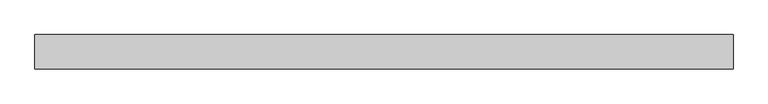
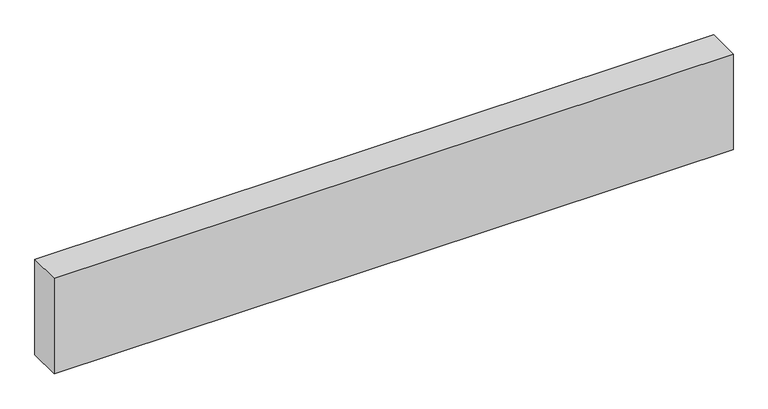
"""IFC4 building model written with IfcOpenShell, lengths in millimetres: proxy geometry."""

from ifc_helpers import new_model, si_unit, origin, origin_with_axes, place, context, project, spatial, polyline, outline, extrude, source, transform, mapped, element, save


def generic_models_02835583(model_context):
    return source(origin(), model_context, "Body", "SweptSolid", [
        extrude(outline(polyline([(2020.0159728, 0.0), (2020.0159728, -100.0), (0.0, -100.0), (0.0, 0.0), (2020.0159728, 0.0)])), origin_with_axes(), (0.0, 0.0, 1.0), 300.0),
    ])


if __name__ == "__main__":
    model = new_model("IFC4")
    model_context = context("Model", 3, world=origin())
    ifc_project = project(units=[si_unit("LENGTHUNIT", "METRE", prefix="MILLI")], contexts=[model_context])
    site = spatial("IfcSite", under=ifc_project)
    building = spatial("IfcBuilding", under=site)
    placement = place(None, origin())
    generic_models_shape = generic_models_02835583(model_context)
    element("IfcBuildingElementProxy", 1, Name="Generic Models", at=placement, inside=building, context=model_context, shape_type="MappedRepresentation", body=[
        mapped(generic_models_shape, transform((0.0, 0.0, 0.0), x_axis=(1.0, 0.0, 0.0), y_axis=(0.0, 1.0, 0.0), z_axis=(0.0, 0.0, 1.0))),
    ])
    save(model, "model.ifc")
